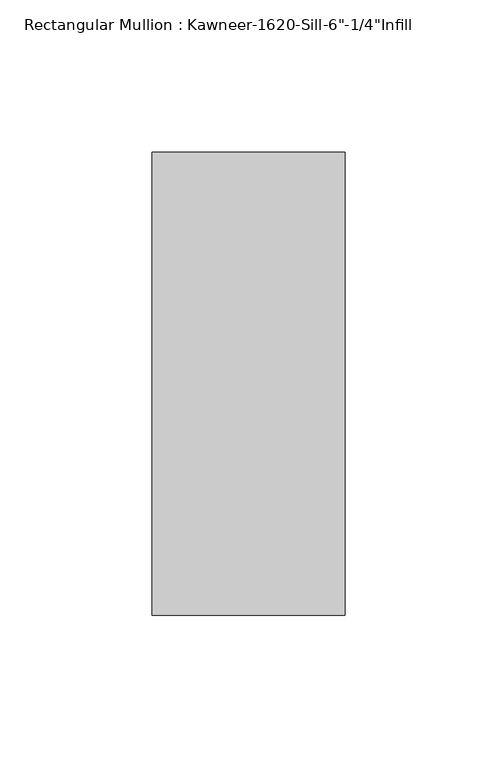
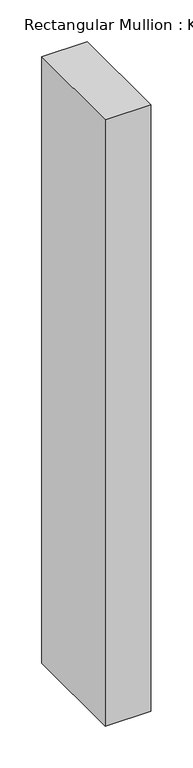
"""IFC4 building model written with IfcOpenShell, lengths in millimetres: member geometry."""

from ifc_helpers import new_model, si_unit, frame, origin, place, context, project, spatial, polyline, outline, extrude, source, transform, mapped, element, save


def member_a48c765a(model_context):
    return source(origin(), model_context, "Body", "SweptSolid", [
        extrude(outline(polyline([(-63.5, 28.575), (0.0, 28.575), (0.0, -123.825), (-63.5, -123.825), (-63.5, 28.575)])), frame((0.0, 0.0, -889.0), z_axis=(0.0, 0.0, 1.0), x_axis=(1.0, 0.0, 0.0)), (0.0, 0.0, 1.0), 889.0),
    ])


if __name__ == "__main__":
    model = new_model("IFC4")
    model_context = context("Model", 3, world=origin())
    ifc_project = project(units=[si_unit("LENGTHUNIT", "METRE", prefix="MILLI")], contexts=[model_context])
    site = spatial("IfcSite", under=ifc_project)
    building = spatial("IfcBuilding", under=site)
    placement = place(None, origin())
    member_shape = member_a48c765a(model_context)
    element("IfcMember", 1, ObjectType="Rectangular Mullion : Kawneer-1620-Sill-6\"-1/4\"Infill", at=placement, inside=building, context=model_context, shape_type="MappedRepresentation", body=[
        mapped(member_shape, transform((0.0, 0.0, 0.0), x_axis=(1.0, 0.0, 0.0), y_axis=(0.0, 1.0, 0.0), z_axis=(0.0, 0.0, 1.0))),
    ])
    save(model, "model.ifc")
